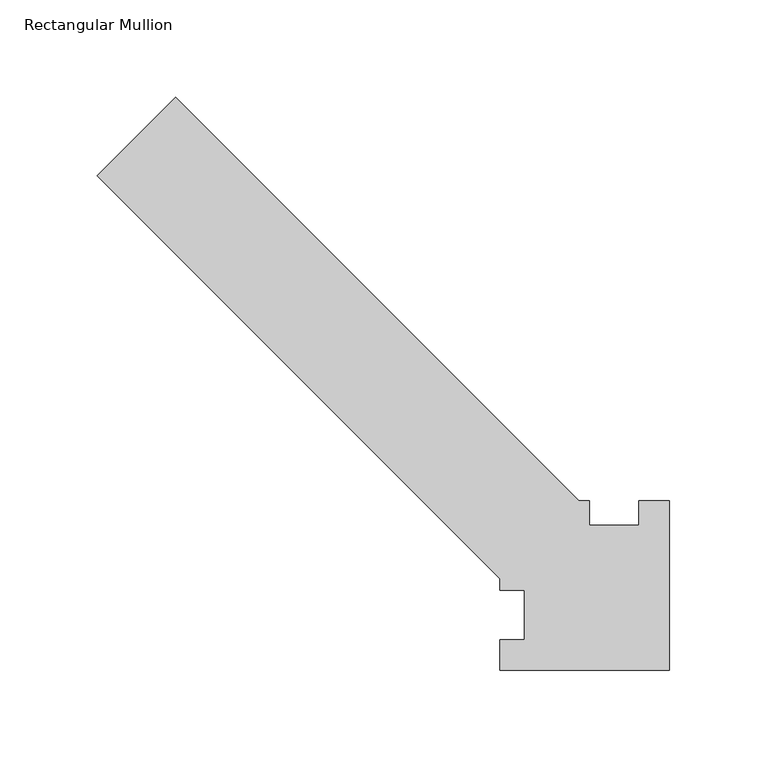
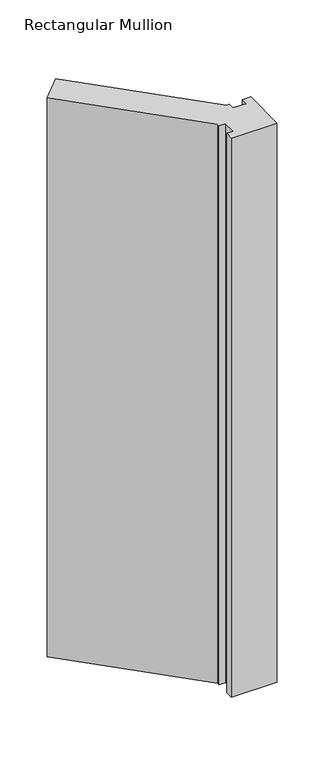
"""IFC4 building model written with IfcOpenShell, lengths in millimetres: member geometry, Rectangular Mullion."""

from ifc_helpers import new_model, si_unit, frame, origin, place, context, project, spatial, polyline, outline, extrude, source, transform, mapped, element, save


def rectangular_mullion_cb427262(model_context):
    return source(origin(), model_context, "Body", "SweptSolid", [
        extrude(outline(polyline([(-15.875, 58.7375), (0.0, 58.7375), (0.0, -28.575), (-87.3125, -28.575), (-87.3125, -12.7), (-74.6125, -12.7), (-74.6125, 12.7), (-87.3125, 12.7), (-87.3125, 18.5592462), (-294.6278689, 225.8746151), (-254.2167163, 266.2857676), (-46.6684487, 58.7375), (-41.275, 58.7375), (-41.275, 46.0375), (-15.875, 46.0375), (-15.875, 58.7375)])), frame((0.0, 0.0, -1133.475), z_axis=(0.0, 0.0, 1.0), x_axis=(1.0, 0.0, 0.0)), (0.0, 0.0, 1.0), 1133.475),
    ])


if __name__ == "__main__":
    model = new_model("IFC4")
    model_context = context("Model", 3, world=origin())
    ifc_project = project(units=[si_unit("LENGTHUNIT", "METRE", prefix="MILLI")], contexts=[model_context])
    site = spatial("IfcSite", under=ifc_project)
    building = spatial("IfcBuilding", under=site)
    placement = place(None, origin())
    rectangular_mullion_shape = rectangular_mullion_cb427262(model_context)
    element("IfcMember", 1, ObjectType="Rectangular Mullion", at=placement, inside=building, context=model_context, shape_type="MappedRepresentation", body=[
        mapped(rectangular_mullion_shape, transform((0.0, 0.0, 0.0), x_axis=(1.0, 0.0, 0.0), y_axis=(0.0, 1.0, 0.0), z_axis=(0.0, 0.0, 1.0))),
    ])
    save(model, "model.ifc")
